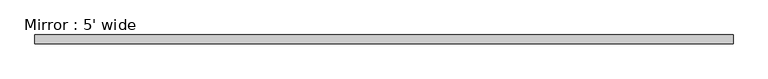
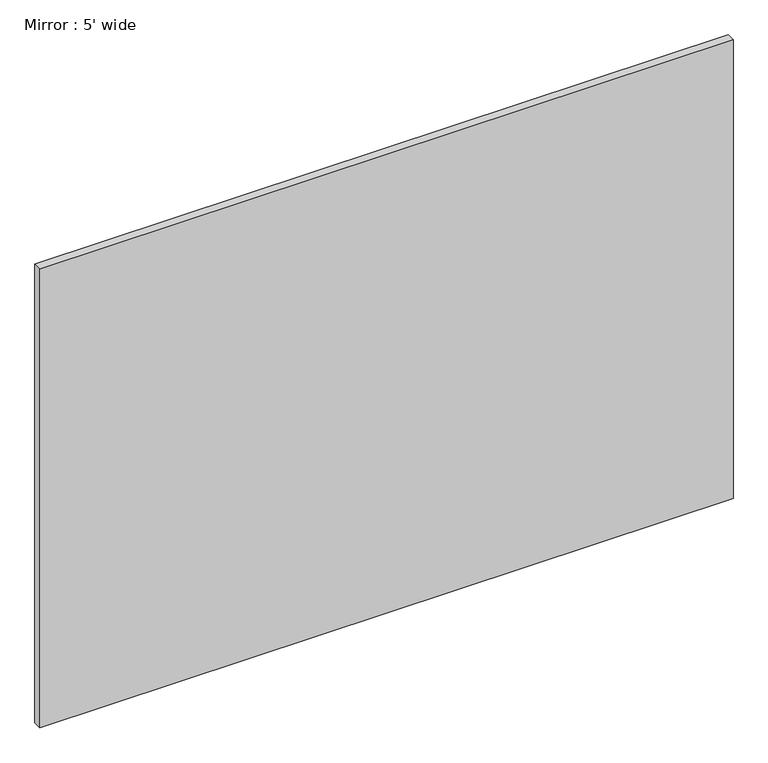
"""IFC4 building model written with IfcOpenShell, lengths in millimetres: proxy geometry, Mirror : 5' wide."""

import ifcopenshell
import ifcopenshell.guid

model = None  # the IFC model being written
_history = None  # IfcOwnerHistory: only IFC2X3 demands one
_inside = {}  # id of a spatial element -> (the spatial element, [elements in it])
_under = {}  # id of a project, library or spatial element -> (it, [spatial elements below it])
_declared = {}  # id of a project -> (the project, [libraries it declares])
_typed = {}  # id of a type object -> (the type object, [elements of that type])
_made_of = {}  # id of a material, layer set ... -> (it, [elements and type objects made of it])


def new_model(schema):
    """Start an empty IFC model of exactly this schema.

    Asked for "IFC4X3", IfcOpenShell would pick the latest addendum, in which some entities
    have other attributes; the version numbers below select the first issue.
    IFC2X3 requires an IfcOwnerHistory on every rooted entity: one is made here for all.
    """
    global model, _history
    if schema == "IFC4X3":
        model = ifcopenshell.file(schema_version=(4, 3, 0, 0))
    else:
        model = ifcopenshell.file(schema=schema)
    _inside.clear()
    _under.clear()
    _declared.clear()
    _typed.clear()
    _made_of.clear()
    _history = None
    if model.schema == "IFC2X3":
        org = make("IfcOrganization", Name="unknown")
        user = make(
            "IfcPersonAndOrganization",
            ThePerson=make("IfcPerson", FamilyName="unknown"),
            TheOrganization=org,
        )
        app = make(
            "IfcApplication",
            ApplicationDeveloper=org,
            Version="unknown",
            ApplicationFullName="unknown",
            ApplicationIdentifier="unknown",
        )
        _history = make(
            "IfcOwnerHistory",
            OwningUser=user,
            OwningApplication=app,
            ChangeAction="ADDED",
            CreationDate=0,
        )
    return model


def make(cls, **values):
    """One entity of the class cls with the attributes given. An attribute that is None is left unset."""
    return model.create_entity(
        cls, **{name: value for name, value in values.items() if value is not None}
    )


def rooted(cls, **values):
    """An entity with a GlobalId (a new one), such as an element, a storey or a relation."""
    return make(cls, GlobalId=ifcopenshell.guid.new(), OwnerHistory=_history, **values)


def si_unit(unit_type, name, prefix=None):
    """IfcSIUnit, for example si_unit("LENGTHUNIT", "METRE", prefix="MILLI")."""
    return make("IfcSIUnit", UnitType=unit_type, Prefix=prefix, Name=name)


def assignment(units):
    """IfcUnitAssignment: the units of a project."""
    return None if units is None else make("IfcUnitAssignment", Units=units)


def point(xyz):
    """IfcCartesianPoint."""
    return None if xyz is None else make("IfcCartesianPoint", Coordinates=xyz)


def direction(xyz):
    """IfcDirection."""
    return None if xyz is None else make("IfcDirection", DirectionRatios=xyz)


def frame(location, z_axis=None, x_axis=None):
    """IfcAxis2Placement3D, a coordinate frame: its origin and axes. An axis left out is left unset."""
    return make(
        "IfcAxis2Placement3D",
        Location=point(location),
        Axis=direction(z_axis),
        RefDirection=direction(x_axis),
    )


def origin():
    """The frame at (0, 0, 0) with its axes left unset."""
    return frame((0.0, 0.0, 0.0))


def place(relative_to, where):
    """IfcLocalPlacement: puts the frame where relative to a parent placement (None: the world)."""
    return make(
        "IfcLocalPlacement", PlacementRelTo=relative_to, RelativePlacement=where
    )


def context(
    kind, dimensions, precision=None, world=None, true_north=None, identifier=None
):
    """IfcGeometricRepresentationContext, for example the 3D "Model" context."""
    return make(
        "IfcGeometricRepresentationContext",
        ContextIdentifier=identifier,
        ContextType=kind,
        CoordinateSpaceDimension=dimensions,
        Precision=precision,
        WorldCoordinateSystem=world,
        TrueNorth=true_north,
    )


def project(units=None, contexts=None):
    """IfcProject with its units and contexts."""
    return rooted(
        "IfcProject",
        Name="project",
        RepresentationContexts=contexts,
        UnitsInContext=assignment(units),
    )


def spatial(cls, under=None, at=None, **own):
    """A site, building, storey or space (cls), placed at a placement, below another one or the project."""
    s = rooted(cls, ObjectPlacement=at, **own)
    if under is not None:
        _under.setdefault(under.id(), (under, []))[1].append(s)
    return s


def polyline(points):
    """IfcPolyline through the points."""
    return make("IfcPolyline", Points=[point(p) for p in points])


def outline(outer, holes=None, kind="AREA"):
    """IfcArbitraryClosedProfileDef: a profile drawn as a closed curve; with holes, ...WithVoids."""
    if holes is None:
        return make("IfcArbitraryClosedProfileDef", ProfileType=kind, OuterCurve=outer)
    return make(
        "IfcArbitraryProfileDefWithVoids",
        ProfileType=kind,
        OuterCurve=outer,
        InnerCurves=holes,
    )


def extrude(swept, where, along, depth):
    """IfcExtrudedAreaSolid: the profile swept, set in the frame where, extruded along a direction by depth."""
    return make(
        "IfcExtrudedAreaSolid",
        SweptArea=swept,
        Position=where,
        ExtrudedDirection=direction(along),
        Depth=depth,
    )


def shape(context_of_items, identifier, shape_type, items):
    """IfcShapeRepresentation: the items that make up one representation, for example the "Body"."""
    return make(
        "IfcShapeRepresentation",
        ContextOfItems=context_of_items,
        RepresentationIdentifier=identifier,
        RepresentationType=shape_type,
        Items=items,
    )


def source(mapping_origin, context_of_items, identifier, shape_type, items):
    """IfcRepresentationMap: a shape defined once, which mapped items show again and again."""
    return make(
        "IfcRepresentationMap",
        MappingOrigin=mapping_origin,
        MappedRepresentation=shape(context_of_items, identifier, shape_type, items),
    )


def transform(
    local_origin,
    x_axis=None,
    y_axis=None,
    z_axis=None,
    scale=None,
    scale2=None,
    scale3=None,
    uniform=True,
):
    """IfcCartesianTransformationOperator3D, or its non-uniform kind. x_axis, y_axis, z_axis: its Axis1, 2, 3."""
    if uniform:
        return make(
            "IfcCartesianTransformationOperator3D",
            Axis1=direction(x_axis),
            Axis2=direction(y_axis),
            LocalOrigin=point(local_origin),
            Scale=scale,
            Axis3=direction(z_axis),
        )
    return make(
        "IfcCartesianTransformationOperator3DnonUniform",
        Axis1=direction(x_axis),
        Axis2=direction(y_axis),
        LocalOrigin=point(local_origin),
        Scale=scale,
        Axis3=direction(z_axis),
        Scale2=scale2,
        Scale3=scale3,
    )


def mapped(mapping_source, mapping_target):
    """IfcMappedItem: shows the shape of a source again, moved by a transform."""
    return make(
        "IfcMappedItem", MappingSource=mapping_source, MappingTarget=mapping_target
    )


def made_of(thing, what):
    """Note that an element or type object is made of a material, layer set ...; save() writes the relation."""
    if what is not None:
        _made_of.setdefault(what.id(), (what, []))[1].append(thing)
    return thing


def element(
    cls,
    number,
    at=None,
    inside=None,
    cuts=None,
    type_object=None,
    material=None,
    context=None,
    identifier="Body",
    shape_type=None,
    held_by="IfcProductDefinitionShape",
    body=None,
    shapes=None,
    **own,
):
    """One element of the class cls, such as IfcWall. Its Tag is "e" and its number.

    at: its placement. inside: the storey or other place that contains it. cuts: it is an
    opening in that element (IfcRelVoidsElement). A single representation is given by context,
    identifier, shape_type and body (its items); several are given by shapes. held_by: the class
    of the entity that holds the representations. save() writes the other relations.
    """
    e = rooted(cls, Tag="e%d" % number, ObjectPlacement=at, **own)
    if body is not None:
        shapes = [shape(context, identifier, shape_type, body)]
    if shapes is not None:
        e.Representation = make(held_by, Representations=shapes)
    if inside is not None:
        _inside.setdefault(inside.id(), (inside, []))[1].append(e)
    if cuts is not None:
        rooted(
            "IfcRelVoidsElement", RelatingBuildingElement=cuts, RelatedOpeningElement=e
        )
    if type_object is not None:
        _typed.setdefault(type_object.id(), (type_object, []))[1].append(e)
    return made_of(e, material)


def aggregate(whole, parts):
    """IfcRelAggregates: a whole, such as a stair, and the parts it consists of."""
    return rooted("IfcRelAggregates", RelatingObject=whole, RelatedObjects=parts)


def save(model, path):
    """Write the relations noted so far, then the file.

    IfcRelAggregates (storeys below a building ...), IfcRelContainedInSpatialStructure (elements
    in a storey), IfcRelDefinesByType, IfcRelAssociatesMaterial and IfcRelDeclares: one each for
    every whole, place, type object, material and project.
    """
    for whole, parts in _under.values():
        aggregate(whole, parts)
    for where, things in _inside.values():
        rooted(
            "IfcRelContainedInSpatialStructure",
            RelatedElements=things,
            RelatingStructure=where,
        )
    for kind, things in _typed.values():
        rooted("IfcRelDefinesByType", RelatedObjects=things, RelatingType=kind)
    for what, things in _made_of.values():
        rooted("IfcRelAssociatesMaterial", RelatedObjects=things, RelatingMaterial=what)
    for by, libraries in _declared.values():
        rooted("IfcRelDeclares", RelatingContext=by, RelatedDefinitions=libraries)
    model.write(path)


def mirror_5_wide_8f0a31a5(model_context):
    return source(origin(), model_context, "Body", "SweptSolid", [
        extrude(outline(polyline([(-737.5296989, 82.55), (786.4703011, 82.55), (786.4703011, 63.5), (-737.5296989, 63.5), (-737.5296989, 82.55)])), frame((0.0, 0.0, 203.2), z_axis=(0.0, 0.0, 1.0), x_axis=(1.0, 0.0, 0.0)), (0.0, 0.0, 1.0), 1066.8),
    ])


if __name__ == "__main__":
    model = new_model("IFC4")
    model_context = context("Model", 3, world=origin())
    ifc_project = project(units=[si_unit("LENGTHUNIT", "METRE", prefix="MILLI")], contexts=[model_context])
    site = spatial("IfcSite", under=ifc_project)
    building = spatial("IfcBuilding", under=site)
    placement = place(None, origin())
    mirror_5_wide_shape = mirror_5_wide_8f0a31a5(model_context)
    element("IfcBuildingElementProxy", 1, Name="Mirror : 5' wide", ObjectType="Mirror : 5' wide", at=placement, inside=building, context=model_context, shape_type="MappedRepresentation", body=[
        mapped(mirror_5_wide_shape, transform((0.0, 0.0, 0.0), x_axis=(1.0, 0.0, 0.0), y_axis=(0.0, 1.0, 0.0), z_axis=(0.0, 0.0, 1.0))),
    ])
    save(model, "model.ifc")
